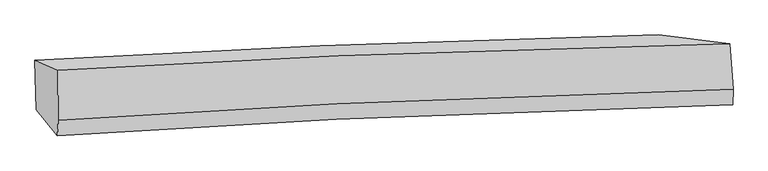
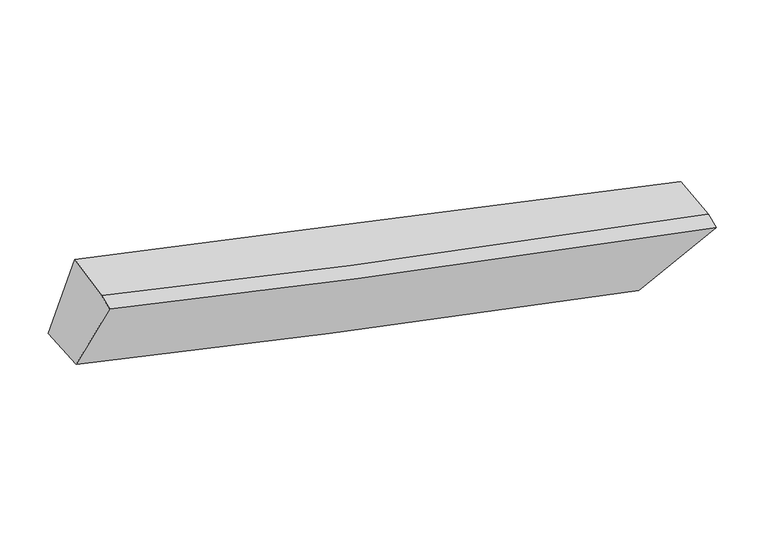
"""IFC4 building model written with IfcOpenShell, lengths in millimetres: proxy geometry."""

from ifc_helpers import new_model, si_unit, frame, origin, place, context, project, spatial, source, transform, mapped, element, save
from ifc_brep_helpers import plane_surface, spline_curve, spline_surface, advanced_brep


def generic_models_3f8cce93(model_context):
    return source(origin(), model_context, "Body", "AdvancedBrep", [
        advanced_brep(
        [(-2491.6823247, -1835.0019294, 3411.4011621), (-2284.7506567, -1921.6959874, 4149.8369734), (3740.7189195, -1686.1648125, 2698.7650279), (3098.7245946, -1606.5789145, 2073.0579307), (-2284.1743484, -2370.4922011, 4052.7071364), (3770.8007534, -2094.5200608, 2600.9390928), (-2289.1505146, -2511.9987305, 4003.198148), (3765.8714515, -2234.6939149, 2551.8963684), (-2480.0197987, -2278.8359088, 3355.9568003), (3141.112328, -2015.2906651, 1987.5930355)],
        [
            (0, 1),
            (1, 2, spline_curve(3, [(-2284.7506567, -1921.6959874, 4149.8369734), (-1469.983254772, -1870.902751621, 3943.81320926), (-632.674521595, -1827.406032673, 3736.595136949), (1359.280877397, -1743.543518557, 3253.780534218), (2530.462002814, -1708.529845829, 2977.307958075), (3740.7189195, -1686.1648125, 2698.7650279)], [4, 2, 4], [0.0, 8.466185031206777, 19.613027526653056])),
            (2, 3),
            (3, 0, spline_curve(3, [(3098.7245946, -1606.5789145, 2073.0579307), (2152.189918275, -1623.447983389, 2283.934549862), (1141.690511726, -1655.323927993, 2519.060739158), (-748.844382303, -1737.814915516, 2975.436069432), (-1601.813948762, -1782.079975811, 3186.424290351), (-2491.6823247, -1835.0019294, 3411.4011621)], [4, 2, 4], [0.0, 11.146842495446279, 19.613027526653056])),
            (1, 4),
            (4, 5, spline_curve(3, [(-2284.1743484, -2370.4922011, 4052.7071364), (-1479.362367502, -2313.927836564, 3827.19377426), (-645.879082522, -2264.639353663, 3608.855773978), (1351.415049656, -2167.311653901, 3119.66983936), (2536.256798546, -2124.609423483, 2854.085158371), (3770.8007534, -2094.5200608, 2600.9390928)], [4, 2, 4], [0.0, 8.806269368693972, 20.40087747889644])),
            (5, 2),
            (4, 6),
            (6, 7, spline_curve(3, [(-2289.1505146, -2511.9987305, 4003.198148), (-1484.343655105, -2455.580006275, 3777.633830336), (-650.860370244, -2406.291523255, 3559.29583015), (1346.445626611, -2308.626428663, 3070.22794046), (2531.30299719, -2265.479972968, 2804.798680749), (3765.8714515, -2234.6939149, 2551.8963684)], [4, 2, 4], [0.0, 8.828704998121259, 20.45285255573603])),
            (7, 5),
            (6, 8),
            (8, 9, spline_curve(3, [(-2480.0197987, -2278.8359088, 3355.9568003), (-1601.197854362, -2220.394527614, 3117.172043845), (-752.598044806, -2170.811103814, 2896.471677612), (1143.28112721, -2076.465222988, 2427.085206816), (2168.39202668, -2038.200232009, 2191.664318122), (3141.112328, -2015.2906651, 1987.5930355)], [4, 2, 4], [0.0, 8.516069521936144, 19.728591489196017])),
            (9, 7),
            (8, 0),
            (3, 9),
        ],
        [
            spline_surface(3, 3, [[(-2491.6823247, -1835.0019294, 3411.4011621), (-1601.813948631, -1782.079975759, 3186.424290241), (-748.844382188, -1737.81491539, 2975.436069334), (1141.690511574, -1655.323928158, 2519.060739288), (2152.189918258, -1623.44798355, 2283.934549754), (3098.7245946, -1606.5789145, 2073.0579307)], [(-2422.705102041, -1863.899948742, 3657.546432541), (-1557.870384011, -1811.687567723, 3438.887263252), (-710.121095337, -1767.678621158, 3229.155758491), (1214.220633499, -1684.730458324, 2763.967337618), (2278.280613174, -1651.808604353, 2515.059019262), (3312.722702926, -1633.107547165, 2281.626963113)], [(-2353.727879359, -1892.797968058, 3903.691702959), (-1513.926819368, -1841.295159662, 3691.350236238), (-671.397808443, -1797.542326872, 3482.875447704), (1286.750755467, -1714.136988436, 3008.873936004), (2404.371308013, -1680.169225161, 2746.18348873), (3526.720811174, -1659.636179835, 2490.195995487)], [(-2284.7506567, -1921.6959874, 4149.8369734), (-1469.983254747, -1870.902751627, 3943.813209249), (-632.674521592, -1827.40603264, 3736.595136861), (1359.280877392, -1743.543518601, 3253.780534334), (2530.46200293, -1708.529845964, 2977.307958237), (3740.7189195, -1686.1648125, 2698.7650279)]], [4, 4], [4, 2, 4], [0.0, 2.529607705960225], [0.0, 8.466185031206777, 19.613027526653056]),
            spline_surface(3, 3, [[(-2284.7506567, -1921.6959874, 4149.8369734), (-1469.983254747, -1870.902751627, 3943.813209249), (-632.674521592, -1827.40603264, 3736.595136861), (1359.280877392, -1743.543518601, 3253.780534334), (2530.46200293, -1708.529845964, 2977.307958237), (3740.7189195, -1686.1648125, 2698.7650279)], [(-2284.558553911, -2071.294725318, 4117.460361051), (-1473.109625638, -2018.577779948, 3904.940064193), (-637.076041902, -1973.150472914, 3694.01534921), (1356.658934802, -1884.799563736, 3209.076969376), (2532.393601477, -1847.223038543, 2936.233691643), (3750.746197441, -1822.283228608, 2666.156382862)], [(-2284.366451189, -2220.893463182, 4085.083748749), (-1476.235996594, -2166.252808217, 3866.066919184), (-641.477562198, -2118.894913257, 3651.435561556), (1354.036992227, -2026.055608939, 3164.373404414), (2534.325200101, -1985.916231097, 2895.159425064), (3760.773475459, -1958.401644692, 2633.547737838)], [(-2284.1743484, -2370.4922011, 4052.7071364), (-1479.362367484, -2313.927836538, 3827.193774127), (-645.879082508, -2264.639353532, 3608.855773905), (1351.415049637, -2167.311654074, 3119.669839455), (2536.256798648, -2124.609423675, 2854.085158471), (3770.8007534, -2094.5200608, 2600.9390928)]], [4, 4], [4, 2, 4], [0.0, 1.4710472997823703], [0.0, 8.806269368693972, 20.40087747889644]),
            spline_surface(3, 3, [[(-2284.1743484, -2370.4922011, 4052.7071364), (-1479.362367484, -2313.927836538, 3827.193774127), (-645.879082508, -2264.639353532, 3608.855773905), (1351.415049637, -2167.311654074, 3119.669839455), (2536.256798648, -2124.609423675, 2854.085158471), (3770.8007534, -2094.5200608, 2600.9390928)], [(-2285.833070465, -2417.661044202, 4036.204140262), (-1481.022796729, -2361.145226462, 3810.673792879), (-647.539511752, -2311.856743456, 3592.335792656), (1349.758575298, -2214.41657892, 3103.189206442), (2534.60553146, -2171.566273502, 2837.656332568), (3769.157652789, -2141.244678844, 2584.591517994)], [(-2287.491792535, -2464.829887398, 4019.701144138), (-1482.683225978, -2408.362616481, 3794.153811644), (-649.199941002, -2359.074133374, 3575.815811422), (1348.102100953, -2261.521503761, 3086.708573443), (2532.954264206, -2218.523123296, 2821.227506685), (3767.514552111, -2187.969296856, 2568.243943206)], [(-2289.1505146, -2511.9987305, 4003.198148), (-1484.343655223, -2455.580006405, 3777.633830395), (-650.860370247, -2406.291523298, 3559.295830173), (1346.445626614, -2308.626428607, 3070.22794043), (2531.302997018, -2265.479973123, 2804.798680782), (3765.8714515, -2234.6939149, 2551.8963684)]], [4, 4], [4, 2, 4], [0.0, 0.4918473377525765], [0.0, 8.828704998121259, 20.45285255573603]),
            spline_surface(3, 3, [[(-2289.1505146, -2511.9987305, 4003.198148), (-1484.343655223, -2455.580006405, 3777.633830395), (-650.860370247, -2406.291523298, 3559.295830173), (1346.445626614, -2308.626428607, 3070.22794043), (2531.302997018, -2265.479973123, 2804.798680782), (3765.8714515, -2234.6939149, 2551.8963684)], [(-2352.773609304, -2434.277789935, 3787.451032119), (-1523.295054959, -2377.184846788, 3557.47990154), (-684.772928408, -2327.798050172, 3338.354445992), (1278.724126826, -2231.239360036, 2855.847029234), (2410.332673494, -2189.720059381, 2600.420559886), (3557.618410314, -2161.559498293, 2363.79525744)], [(-2416.396703996, -2356.556849365, 3571.703916181), (-1562.246454683, -2298.789687166, 3337.325972629), (-718.68548663, -2249.304577026, 3117.41306179), (1211.002626977, -2153.852291445, 2641.466118017), (2289.362350029, -2113.960145659, 2396.04243897), (3349.365369186, -2088.425081707, 2175.69414646)], [(-2480.0197987, -2278.8359088, 3355.9568003), (-1601.197854419, -2220.39452755, 3117.172043773), (-752.598044791, -2170.8111039, 2896.471677608), (1143.281127189, -2076.465222874, 2427.085206821), (2168.392026506, -2038.200231918, 2191.664318074), (3141.112328, -2015.2906651, 1987.5930355)]], [4, 4], [4, 2, 4], [0.0, 2.332335659922426], [0.0, 8.516069521936144, 19.728591489196017]),
            spline_surface(3, 3, [[(-2480.0197987, -2278.8359088, 3355.9568003), (-1601.197854419, -2220.39452755, 3117.172043773), (-752.598044791, -2170.8111039, 2896.471677608), (1143.281127189, -2076.465222874, 2427.085206821), (2168.392026506, -2038.200231918, 2191.664318074), (3141.112328, -2015.2906651, 1987.5930355)], [(-2483.907307379, -2130.891249003, 3374.438254227), (-1601.403219169, -2074.289676956, 3140.256125923), (-751.346823926, -2026.47904106, 2922.793141532), (1142.750921981, -1936.084791299, 2457.743717658), (2162.991323753, -1899.949482451, 2222.421061958), (3126.98308353, -1879.053414889, 2016.081333891)], [(-2487.794816021, -1982.946589197, 3392.919708173), (-1601.608583882, -1928.184826352, 3163.340208091), (-750.095603053, -1882.14697823, 2949.11460541), (1142.220716782, -1795.704359734, 2488.402228451), (2157.590621011, -1761.698733017, 2253.177805869), (3112.85383907, -1742.816164711, 2044.569632309)], [(-2491.6823247, -1835.0019294, 3411.4011621), (-1601.813948631, -1782.079975759, 3186.424290241), (-748.844382188, -1737.81491539, 2975.436069334), (1141.690511574, -1655.323928158, 2519.060739288), (2152.189918258, -1623.44798355, 2283.934549754), (3098.7245946, -1606.5789145, 2073.0579307)]], [4, 4], [4, 2, 4], [0.0, 1.4247229508145212], [0.0, 8.175495527639075, 18.939607182759417]),
            plane_surface(frame((3503.4456094, -1927.4496736, 2382.4502911), z_axis=(0.6951343989652669, 0.2155028738791601, -0.6858182548788129), x_axis=(-0.718113935124241, 0.25218764347128075, -0.6486245205515897))),
            plane_surface(frame((-2365.9555286, -2183.6049514, 3794.6200441), z_axis=(-0.9630297748442143, -0.05816475470487263, 0.26304089810070297), x_axis=(0.026065256759730638, -0.9919503369177195, -0.12391582416653776))),
        ],
        [
            (0, [[1, 2, 3, 4]]),
            (1, [[5, 6, 7, -2]]),
            (2, [[8, 9, 10, -6]]),
            (3, [[11, 12, 13, -9]]),
            (4, [[14, -4, 15, -12]]),
            (5, [[-13, -15, -3, -7, -10]]),
            (6, [[-14, -11, -8, -5, -1]]),
        ],
    ),
    ])


if __name__ == "__main__":
    model = new_model("IFC4")
    model_context = context("Model", 3, world=origin())
    ifc_project = project(units=[si_unit("LENGTHUNIT", "METRE", prefix="MILLI")], contexts=[model_context])
    site = spatial("IfcSite", under=ifc_project)
    building = spatial("IfcBuilding", under=site)
    placement = place(None, origin())
    generic_models_shape = generic_models_3f8cce93(model_context)
    element("IfcBuildingElementProxy", 1, Name="Generic Models", at=placement, inside=building, context=model_context, shape_type="MappedRepresentation", body=[
        mapped(generic_models_shape, transform((0.0, 0.0, 0.0), x_axis=(1.0, 0.0, 0.0), y_axis=(0.0, 1.0, 0.0), z_axis=(0.0, 0.0, 1.0))),
    ])
    save(model, "model.ifc")
